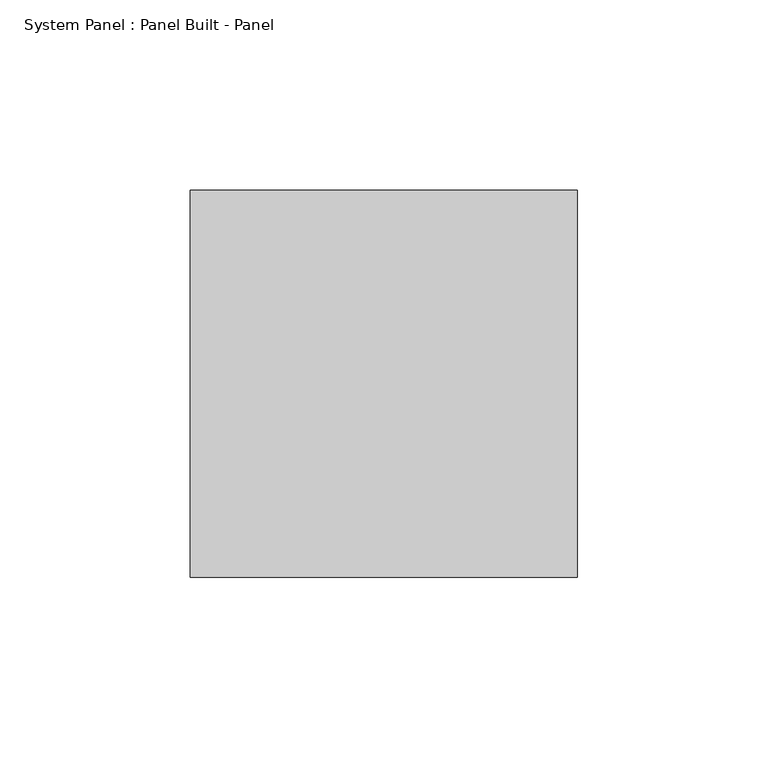
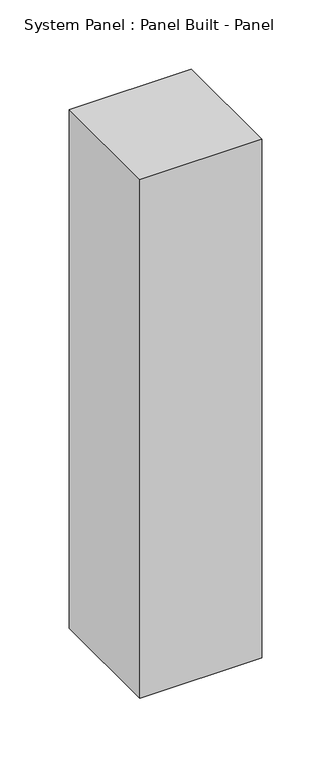
"""IFC4 building model written with IfcOpenShell, lengths in millimetres: plate geometry, System Panel : Panel Built - Panel."""

import ifcopenshell
import ifcopenshell.guid

model = None  # the IFC model being written
_history = None  # IfcOwnerHistory: only IFC2X3 demands one
_inside = {}  # id of a spatial element -> (the spatial element, [elements in it])
_under = {}  # id of a project, library or spatial element -> (it, [spatial elements below it])
_declared = {}  # id of a project -> (the project, [libraries it declares])
_typed = {}  # id of a type object -> (the type object, [elements of that type])
_made_of = {}  # id of a material, layer set ... -> (it, [elements and type objects made of it])


def new_model(schema):
    """Start an empty IFC model of exactly this schema.

    Asked for "IFC4X3", IfcOpenShell would pick the latest addendum, in which some entities
    have other attributes; the version numbers below select the first issue.
    IFC2X3 requires an IfcOwnerHistory on every rooted entity: one is made here for all.
    """
    global model, _history
    if schema == "IFC4X3":
        model = ifcopenshell.file(schema_version=(4, 3, 0, 0))
    else:
        model = ifcopenshell.file(schema=schema)
    _inside.clear()
    _under.clear()
    _declared.clear()
    _typed.clear()
    _made_of.clear()
    _history = None
    if model.schema == "IFC2X3":
        org = make("IfcOrganization", Name="unknown")
        user = make(
            "IfcPersonAndOrganization",
            ThePerson=make("IfcPerson", FamilyName="unknown"),
            TheOrganization=org,
        )
        app = make(
            "IfcApplication",
            ApplicationDeveloper=org,
            Version="unknown",
            ApplicationFullName="unknown",
            ApplicationIdentifier="unknown",
        )
        _history = make(
            "IfcOwnerHistory",
            OwningUser=user,
            OwningApplication=app,
            ChangeAction="ADDED",
            CreationDate=0,
        )
    return model


def make(cls, **values):
    """One entity of the class cls with the attributes given. An attribute that is None is left unset."""
    return model.create_entity(
        cls, **{name: value for name, value in values.items() if value is not None}
    )


def rooted(cls, **values):
    """An entity with a GlobalId (a new one), such as an element, a storey or a relation."""
    return make(cls, GlobalId=ifcopenshell.guid.new(), OwnerHistory=_history, **values)


def si_unit(unit_type, name, prefix=None):
    """IfcSIUnit, for example si_unit("LENGTHUNIT", "METRE", prefix="MILLI")."""
    return make("IfcSIUnit", UnitType=unit_type, Prefix=prefix, Name=name)


def assignment(units):
    """IfcUnitAssignment: the units of a project."""
    return None if units is None else make("IfcUnitAssignment", Units=units)


def point(xyz):
    """IfcCartesianPoint."""
    return None if xyz is None else make("IfcCartesianPoint", Coordinates=xyz)


def direction(xyz):
    """IfcDirection."""
    return None if xyz is None else make("IfcDirection", DirectionRatios=xyz)


def frame(location, z_axis=None, x_axis=None):
    """IfcAxis2Placement3D, a coordinate frame: its origin and axes. An axis left out is left unset."""
    return make(
        "IfcAxis2Placement3D",
        Location=point(location),
        Axis=direction(z_axis),
        RefDirection=direction(x_axis),
    )


def origin():
    """The frame at (0, 0, 0) with its axes left unset."""
    return frame((0.0, 0.0, 0.0))


def origin_with_axes():
    """The frame at (0, 0, 0) with the z axis (0, 0, 1) and the x axis (1, 0, 0) written out."""
    return frame((0.0, 0.0, 0.0), z_axis=(0.0, 0.0, 1.0), x_axis=(1.0, 0.0, 0.0))


def place(relative_to, where):
    """IfcLocalPlacement: puts the frame where relative to a parent placement (None: the world)."""
    return make(
        "IfcLocalPlacement", PlacementRelTo=relative_to, RelativePlacement=where
    )


def context(
    kind, dimensions, precision=None, world=None, true_north=None, identifier=None
):
    """IfcGeometricRepresentationContext, for example the 3D "Model" context."""
    return make(
        "IfcGeometricRepresentationContext",
        ContextIdentifier=identifier,
        ContextType=kind,
        CoordinateSpaceDimension=dimensions,
        Precision=precision,
        WorldCoordinateSystem=world,
        TrueNorth=true_north,
    )


def project(units=None, contexts=None):
    """IfcProject with its units and contexts."""
    return rooted(
        "IfcProject",
        Name="project",
        RepresentationContexts=contexts,
        UnitsInContext=assignment(units),
    )


def spatial(cls, under=None, at=None, **own):
    """A site, building, storey or space (cls), placed at a placement, below another one or the project."""
    s = rooted(cls, ObjectPlacement=at, **own)
    if under is not None:
        _under.setdefault(under.id(), (under, []))[1].append(s)
    return s


def polyline(points):
    """IfcPolyline through the points."""
    return make("IfcPolyline", Points=[point(p) for p in points])


def outline(outer, holes=None, kind="AREA"):
    """IfcArbitraryClosedProfileDef: a profile drawn as a closed curve; with holes, ...WithVoids."""
    if holes is None:
        return make("IfcArbitraryClosedProfileDef", ProfileType=kind, OuterCurve=outer)
    return make(
        "IfcArbitraryProfileDefWithVoids",
        ProfileType=kind,
        OuterCurve=outer,
        InnerCurves=holes,
    )


def extrude(swept, where, along, depth):
    """IfcExtrudedAreaSolid: the profile swept, set in the frame where, extruded along a direction by depth."""
    return make(
        "IfcExtrudedAreaSolid",
        SweptArea=swept,
        Position=where,
        ExtrudedDirection=direction(along),
        Depth=depth,
    )


def shape(context_of_items, identifier, shape_type, items):
    """IfcShapeRepresentation: the items that make up one representation, for example the "Body"."""
    return make(
        "IfcShapeRepresentation",
        ContextOfItems=context_of_items,
        RepresentationIdentifier=identifier,
        RepresentationType=shape_type,
        Items=items,
    )


def source(mapping_origin, context_of_items, identifier, shape_type, items):
    """IfcRepresentationMap: a shape defined once, which mapped items show again and again."""
    return make(
        "IfcRepresentationMap",
        MappingOrigin=mapping_origin,
        MappedRepresentation=shape(context_of_items, identifier, shape_type, items),
    )


def transform(
    local_origin,
    x_axis=None,
    y_axis=None,
    z_axis=None,
    scale=None,
    scale2=None,
    scale3=None,
    uniform=True,
):
    """IfcCartesianTransformationOperator3D, or its non-uniform kind. x_axis, y_axis, z_axis: its Axis1, 2, 3."""
    if uniform:
        return make(
            "IfcCartesianTransformationOperator3D",
            Axis1=direction(x_axis),
            Axis2=direction(y_axis),
            LocalOrigin=point(local_origin),
            Scale=scale,
            Axis3=direction(z_axis),
        )
    return make(
        "IfcCartesianTransformationOperator3DnonUniform",
        Axis1=direction(x_axis),
        Axis2=direction(y_axis),
        LocalOrigin=point(local_origin),
        Scale=scale,
        Axis3=direction(z_axis),
        Scale2=scale2,
        Scale3=scale3,
    )


def mapped(mapping_source, mapping_target):
    """IfcMappedItem: shows the shape of a source again, moved by a transform."""
    return make(
        "IfcMappedItem", MappingSource=mapping_source, MappingTarget=mapping_target
    )


def made_of(thing, what):
    """Note that an element or type object is made of a material, layer set ...; save() writes the relation."""
    if what is not None:
        _made_of.setdefault(what.id(), (what, []))[1].append(thing)
    return thing


def element(
    cls,
    number,
    at=None,
    inside=None,
    cuts=None,
    type_object=None,
    material=None,
    context=None,
    identifier="Body",
    shape_type=None,
    held_by="IfcProductDefinitionShape",
    body=None,
    shapes=None,
    **own,
):
    """One element of the class cls, such as IfcWall. Its Tag is "e" and its number.

    at: its placement. inside: the storey or other place that contains it. cuts: it is an
    opening in that element (IfcRelVoidsElement). A single representation is given by context,
    identifier, shape_type and body (its items); several are given by shapes. held_by: the class
    of the entity that holds the representations. save() writes the other relations.
    """
    e = rooted(cls, Tag="e%d" % number, ObjectPlacement=at, **own)
    if body is not None:
        shapes = [shape(context, identifier, shape_type, body)]
    if shapes is not None:
        e.Representation = make(held_by, Representations=shapes)
    if inside is not None:
        _inside.setdefault(inside.id(), (inside, []))[1].append(e)
    if cuts is not None:
        rooted(
            "IfcRelVoidsElement", RelatingBuildingElement=cuts, RelatedOpeningElement=e
        )
    if type_object is not None:
        _typed.setdefault(type_object.id(), (type_object, []))[1].append(e)
    return made_of(e, material)


def aggregate(whole, parts):
    """IfcRelAggregates: a whole, such as a stair, and the parts it consists of."""
    return rooted("IfcRelAggregates", RelatingObject=whole, RelatedObjects=parts)


def save(model, path):
    """Write the relations noted so far, then the file.

    IfcRelAggregates (storeys below a building ...), IfcRelContainedInSpatialStructure (elements
    in a storey), IfcRelDefinesByType, IfcRelAssociatesMaterial and IfcRelDeclares: one each for
    every whole, place, type object, material and project.
    """
    for whole, parts in _under.values():
        aggregate(whole, parts)
    for where, things in _inside.values():
        rooted(
            "IfcRelContainedInSpatialStructure",
            RelatedElements=things,
            RelatingStructure=where,
        )
    for kind, things in _typed.values():
        rooted("IfcRelDefinesByType", RelatedObjects=things, RelatingType=kind)
    for what, things in _made_of.values():
        rooted("IfcRelAssociatesMaterial", RelatedObjects=things, RelatingMaterial=what)
    for by, libraries in _declared.values():
        rooted("IfcRelDeclares", RelatingContext=by, RelatedDefinitions=libraries)
    model.write(path)


def system_panel_panel_built_panel_8f0d4e16(model_context):
    return source(origin(), model_context, "Body", "SweptSolid", [
        extrude(outline(polyline([(50.8, -50.8), (-50.8, -50.8), (-50.8, 50.8), (50.8, 50.8), (50.8, -50.8)])), origin_with_axes(), (0.0, 0.0, 1.0), 457.2),
    ])


if __name__ == "__main__":
    model = new_model("IFC4")
    model_context = context("Model", 3, world=origin())
    ifc_project = project(units=[si_unit("LENGTHUNIT", "METRE", prefix="MILLI")], contexts=[model_context])
    site = spatial("IfcSite", under=ifc_project)
    building = spatial("IfcBuilding", under=site)
    placement = place(None, origin())
    system_panel_panel_built_panel_shape = system_panel_panel_built_panel_8f0d4e16(model_context)
    element("IfcPlate", 1, ObjectType="System Panel : Panel Built - Panel", at=placement, inside=building, context=model_context, shape_type="MappedRepresentation", body=[
        mapped(system_panel_panel_built_panel_shape, transform((0.0, 0.0, 0.0), x_axis=(1.0, 0.0, 0.0), y_axis=(0.0, 1.0, 0.0), z_axis=(0.0, 0.0, 1.0))),
    ])
    save(model, "model.ifc")
